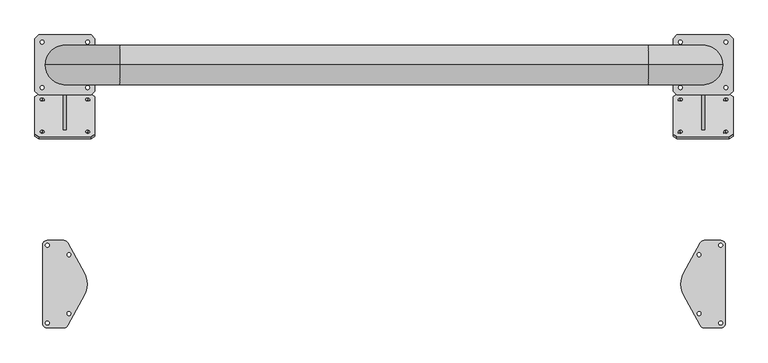
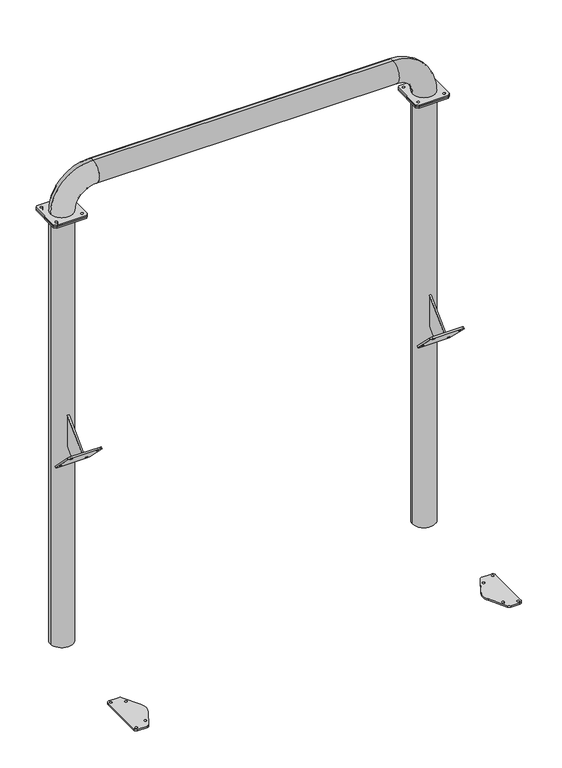
"""IFC4 building model written with IfcOpenShell, lengths in millimetres: proxy geometry."""

from ifc_helpers import new_model, si_unit, point, frame, frame_2d, origin, origin_with_axes, origin_2d, place, context, project, spatial, polyline, circle_curve, ellipse_curve, trimmed, segment, composite_curve, outline, extrude, source, transform, mapped, element, save
from ifc_brep_helpers import plane_surface, cylinder_surface, revolved_surface, advanced_brep


def generic_models_db57e0b7(model_context):
    return source(origin(), model_context, "Body", "SolidModel", [
        advanced_brep(
        [(6.0, -82.5, 1815.0), (6.0, -269.883297, 1627.616703), (6.0, -153.2106781, 1510.9440841), (6.0, -82.5, 1581.6547622), (-6.0, -82.5, 1815.0), (-6.0, -82.5, 1581.6547622), (-6.0, -153.2106781, 1510.9440841), (-6.0, -269.883297, 1627.616703), (-110.0, -308.4206166, 1649.1834598), (-125.0, -297.8140149, 1638.5768581), (-125.0, -142.250523, 1483.0133662), (-110.0, -131.6439213, 1472.4067645), (110.0, -131.6439213, 1472.4067645), (125.0, -142.250523, 1483.0133662), (125.0, -297.8140149, 1638.5768581), (110.0, -308.4206166, 1649.1834598), (-95.0, -281.5505589, 1622.3134021), (-95.0, -292.8642674, 1633.6271106), (-95.0, -147.2002705, 1487.9631137), (-95.0, -158.513979, 1499.2768222), (95.0, -147.2002705, 1487.9631137), (95.0, -158.513979, 1499.2768222), (95.0, -281.5505589, 1622.3134021), (95.0, -292.8642674, 1633.6271106), (-110.0, -299.9353352, 1657.6687412), (110.0, -299.9353352, 1657.6687412), (125.0, -289.3287335, 1647.0621395), (125.0, -133.7652416, 1491.4986476), (110.0, -123.1586399, 1480.8920459), (-110.0, -123.1586399, 1480.8920459), (-125.0, -133.7652416, 1491.4986476), (-125.0, -289.3287335, 1647.0621395), (-95.0, -273.0652775, 1630.7986835), (-95.0, -284.378986, 1642.112392), (-95.0, -138.7149891, 1496.4483951), (-95.0, -150.0286976, 1507.7621036), (95.0, -138.7149891, 1496.4483951), (95.0, -150.0286976, 1507.7621036), (95.0, -273.0652775, 1630.7986835), (95.0, -284.378986, 1642.112392)],
        [
            (0, 1),
            (1, 2),
            (2, 3),
            (3, 0),
            (4, 5),
            (5, 6),
            (6, 7),
            (7, 4),
            (0, 4),
            (7, 1),
            (2, 6),
            (5, 3),
            (8, 9),
            (9, 10),
            (10, 11),
            (11, 12),
            (12, 13),
            (13, 14),
            (14, 15),
            (15, 8),
            (16, 17, circle_curve(frame((-95.0, -287.2074132, 1627.9702564), z_axis=(0.0, 0.7071067811865456, 0.7071067811865495), x_axis=(0.0, -0.7071067811865495, 0.7071067811865456)), 8.0)),
            (17, 16, circle_curve(frame((-95.0, -287.2074132, 1627.9702564), z_axis=(0.0, 0.7071067811865456, 0.7071067811865495), x_axis=(0.0, -0.7071067811865495, 0.7071067811865456)), 8.0)),
            (18, 19, circle_curve(frame((-95.0, -152.8571247, 1493.619968), z_axis=(0.0, 0.7071067811865456, 0.7071067811865495), x_axis=(0.0, -0.7071067811865495, 0.7071067811865456)), 8.0)),
            (19, 18, circle_curve(frame((-95.0, -152.8571247, 1493.619968), z_axis=(0.0, 0.7071067811865456, 0.7071067811865495), x_axis=(0.0, -0.7071067811865495, 0.7071067811865456)), 8.0)),
            (20, 21, circle_curve(frame((95.0, -152.8571247, 1493.619968), z_axis=(0.0, 0.7071067811865456, 0.7071067811865495), x_axis=(0.0, -0.7071067811865495, 0.7071067811865456)), 8.0)),
            (21, 20, circle_curve(frame((95.0, -152.8571247, 1493.619968), z_axis=(0.0, 0.7071067811865456, 0.7071067811865495), x_axis=(0.0, -0.7071067811865495, 0.7071067811865456)), 8.0)),
            (22, 23, circle_curve(frame((95.0, -287.2074132, 1627.9702564), z_axis=(0.0, 0.7071067811865456, 0.7071067811865495), x_axis=(0.0, -0.7071067811865495, 0.7071067811865456)), 8.0)),
            (23, 22, circle_curve(frame((95.0, -287.2074132, 1627.9702564), z_axis=(0.0, 0.7071067811865456, 0.7071067811865495), x_axis=(0.0, -0.7071067811865495, 0.7071067811865456)), 8.0)),
            (24, 25),
            (25, 26),
            (26, 27),
            (27, 28),
            (28, 29),
            (29, 30),
            (30, 31),
            (31, 24),
            (32, 33, circle_curve(frame((-95.0, -278.7221318, 1636.4555378), z_axis=(0.0, -0.7071067811865456, -0.7071067811865495), x_axis=(0.0, -0.7071067811865495, 0.7071067811865456)), 8.0)),
            (33, 32, circle_curve(frame((-95.0, -278.7221318, 1636.4555378), z_axis=(0.0, -0.7071067811865456, -0.7071067811865495), x_axis=(0.0, -0.7071067811865495, 0.7071067811865456)), 8.0)),
            (34, 35, circle_curve(frame((-95.0, -144.3718434, 1502.1052493), z_axis=(0.0, -0.7071067811865456, -0.7071067811865495), x_axis=(0.0, -0.7071067811865495, 0.7071067811865456)), 8.0)),
            (35, 34, circle_curve(frame((-95.0, -144.3718434, 1502.1052493), z_axis=(0.0, -0.7071067811865456, -0.7071067811865495), x_axis=(0.0, -0.7071067811865495, 0.7071067811865456)), 8.0)),
            (36, 37, circle_curve(frame((95.0, -144.3718434, 1502.1052493), z_axis=(0.0, -0.7071067811865456, -0.7071067811865495), x_axis=(0.0, -0.7071067811865495, 0.7071067811865456)), 8.0)),
            (37, 36, circle_curve(frame((95.0, -144.3718434, 1502.1052493), z_axis=(0.0, -0.7071067811865456, -0.7071067811865495), x_axis=(0.0, -0.7071067811865495, 0.7071067811865456)), 8.0)),
            (38, 39, circle_curve(frame((95.0, -278.7221318, 1636.4555378), z_axis=(0.0, -0.7071067811865456, -0.7071067811865495), x_axis=(0.0, -0.7071067811865495, 0.7071067811865456)), 8.0)),
            (39, 38, circle_curve(frame((95.0, -278.7221318, 1636.4555378), z_axis=(0.0, -0.7071067811865456, -0.7071067811865495), x_axis=(0.0, -0.7071067811865495, 0.7071067811865456)), 8.0)),
            (8, 24),
            (31, 9),
            (30, 10),
            (29, 11),
            (28, 12),
            (27, 13),
            (26, 14),
            (25, 15),
            (16, 32),
            (33, 17),
            (18, 34),
            (35, 19),
            (20, 36),
            (37, 21),
            (22, 38),
            (39, 23),
        ],
        [
            plane_surface(frame((6.0, -269.883297, 1627.616703), z_axis=(1.0, 0.0, 0.0), x_axis=(0.0, -0.7071067811865375, -0.7071067811865576))),
            plane_surface(frame((-6.0, -269.883297, 1627.616703), z_axis=(-1.0, 0.0, 0.0), x_axis=(0.0, 0.7071067811865375, 0.7071067811865576))),
            plane_surface(frame((6.0, -82.5, 1815.0), z_axis=(0.0, -0.7071067811865576, 0.7071067811865375), x_axis=(-1.0, 0.0, 0.0))),
            plane_surface(frame((6.0, -153.2106781, 1510.9440841), z_axis=(0.0, 0.7071067811865466, -0.7071067811865485), x_axis=(-1.0, 0.0, 0.0))),
            plane_surface(frame((6.0, -82.5, 1581.6547622), z_axis=(0.0, 1.0, 0.0), x_axis=(-1.0, 0.0, 0.0))),
            plane_surface(frame((-125.0, -297.8140149, 1638.5768581), z_axis=(0.0, -0.7071067811865456, -0.7071067811865495), x_axis=(-0.7071067811865512, 0.4999999999999987, -0.49999999999999595))),
            plane_surface(frame((-125.0, -289.3287335, 1647.0621395), z_axis=(0.0, 0.7071067811865456, 0.7071067811865495), x_axis=(0.7071067811865512, -0.4999999999999987, 0.49999999999999595))),
            plane_surface(frame((-110.0, -308.4206166, 1649.1834598), z_axis=(-0.7071067811865439, -0.5000000000000038, 0.5000000000000017), x_axis=(0.0, 0.7071067811865461, 0.707106781186549))),
            plane_surface(frame((-125.0, -297.8140149, 1638.5768581), z_axis=(-1.0, 0.0, 0.0), x_axis=(0.0, 0.7071067811865461, 0.707106781186549))),
            plane_surface(frame((-125.0, -142.250523, 1483.0133662), z_axis=(-0.7071067811865441, 0.5000000000000033, -0.500000000000002), x_axis=(0.0, 0.7071067811865476, 0.7071067811865476))),
            plane_surface(frame((-110.0, -131.6439213, 1472.4067645), z_axis=(0.0, 0.7071067811865503, -0.7071067811865447), x_axis=(0.0, 0.7071067811865447, 0.7071067811865503))),
            plane_surface(frame((110.0, -131.6439213, 1472.4067645), z_axis=(0.7071067811865449, 0.500000000000003, -0.500000000000001), x_axis=(0.0, 0.7071067811865461, 0.707106781186549))),
            plane_surface(frame((125.0, -142.250523, 1483.0133662), z_axis=(1.0, 0.0, 0.0), x_axis=(0.0, 0.7071067811865447, 0.7071067811865503))),
            plane_surface(frame((125.0, -297.8140149, 1638.5768581), z_axis=(0.7071067811865447, -0.5000000000000032, 0.5000000000000012), x_axis=(0.0, 0.7071067811865461, 0.707106781186549))),
            plane_surface(frame((110.0, -308.4206166, 1649.1834598), z_axis=(0.0, -0.7071067811865476, 0.7071067811865476), x_axis=(0.0, 0.7071067811865476, 0.7071067811865476))),
            revolved_surface(polyline([(-95.0, -284.37898604949237, 1642.1123920494924), (-95.0, -292.8642674494924, 1633.6271106494924)]), (-95.0, -278.7221318, 1636.4555378), (0.0, 0.7071067811865456, 0.7071067811865495)),
            revolved_surface(polyline([(-95.0, -150.02869759949232, 1507.7621035994925), (-95.0, -158.51397899949242, 1499.2768221994922)]), (-95.0, -144.3718434, 1502.1052493), (0.0, 0.7071067811865456, 0.7071067811865495)),
            revolved_surface(polyline([(95.0, -150.02869759949232, 1507.7621035994925), (95.0, -158.51397899949242, 1499.2768221994922)]), (95.0, -144.3718434, 1502.1052493), (0.0, 0.7071067811865456, 0.7071067811865495)),
            revolved_surface(polyline([(95.0, -284.37898604949237, 1642.1123920494924), (95.0, -292.8642674494924, 1633.6271106494924)]), (95.0, -278.7221318, 1636.4555378), (0.0, 0.7071067811865456, 0.7071067811865495)),
        ],
        [
            (0, [[1, 2, 3, 4]]),
            (1, [[5, 6, 7, 8]]),
            (2, [[-1, 9, -8, 10]]),
            (3, [[-3, 11, -6, 12]]),
            (4, [[-4, -12, -5, -9]]),
            (5, [[13, 14, 15, 16, 17, 18, 19, 20], [21, 22], [23, 24], [25, 26], [27, 28]]),
            (6, [[29, 30, 31, 32, 33, 34, 35, 36], [-2, -10, -7, -11], [37, 38], [39, 40], [41, 42], [43, 44]]),
            (7, [[-13, 45, -36, 46]]),
            (8, [[-14, -46, -35, 47]]),
            (9, [[-15, -47, -34, 48]]),
            (10, [[-16, -48, -33, 49]]),
            (11, [[-17, -49, -32, 50]]),
            (12, [[-18, -50, -31, 51]]),
            (13, [[-19, -51, -30, 52]]),
            (14, [[-20, -52, -29, -45]]),
            (15, [[-21, 53, -38, 54]]),
            (15, [[-22, -54, -37, -53]]),
            (16, [[-23, 55, -40, 56]]),
            (16, [[-24, -56, -39, -55]]),
            (17, [[-25, 57, -42, 58]]),
            (17, [[-26, -58, -41, -57]]),
            (18, [[-27, 59, -44, 60]]),
            (18, [[-28, -60, -43, -59]]),
        ],
    ),
        advanced_brep(
        [(2671.0, -82.5, 1815.0), (2671.0, -269.883297, 1627.616703), (2671.0, -153.2106781, 1510.9440841), (2671.0, -82.5, 1581.6547622), (2659.0, -82.5, 1815.0), (2659.0, -82.5, 1581.6547622), (2659.0, -153.2106781, 1510.9440841), (2659.0, -269.883297, 1627.616703), (2790.0, -297.8140149, 1638.5768581), (2775.0, -308.4206166, 1649.1834598), (2555.0, -308.4206166, 1649.1834598), (2540.0, -297.8140149, 1638.5768581), (2540.0, -142.250523, 1483.0133662), (2555.0, -131.6439213, 1472.4067645), (2775.0, -131.6439213, 1472.4067645), (2790.0, -142.250523, 1483.0133662), (2570.0, -292.8642674, 1633.6271106), (2570.0, -281.5505589, 1622.3134021), (2570.0, -158.513979, 1499.2768222), (2570.0, -147.2002705, 1487.9631137), (2760.0, -158.513979, 1499.2768222), (2760.0, -147.2002705, 1487.9631137), (2760.0, -292.8642674, 1633.6271106), (2760.0, -281.5505589, 1622.3134021), (2790.0, -289.3287335, 1647.0621395), (2790.0, -133.7652416, 1491.4986476), (2775.0, -123.1586399, 1480.8920459), (2555.0, -123.1586399, 1480.8920459), (2540.0, -133.7652416, 1491.4986476), (2540.0, -289.3287335, 1647.0621395), (2555.0, -299.9353352, 1657.6687412), (2775.0, -299.9353352, 1657.6687412), (2570.0, -284.378986, 1642.112392), (2570.0, -273.0652775, 1630.7986835), (2570.0, -150.0286976, 1507.7621036), (2570.0, -138.7149891, 1496.4483951), (2760.0, -150.0286976, 1507.7621036), (2760.0, -138.7149891, 1496.4483951), (2760.0, -284.378986, 1642.112392), (2760.0, -273.0652775, 1630.7986835)],
        [
            (0, 1),
            (1, 2),
            (2, 3),
            (3, 0),
            (4, 5),
            (5, 6),
            (6, 7),
            (7, 4),
            (0, 4),
            (7, 1),
            (2, 6),
            (5, 3),
            (8, 9),
            (9, 10),
            (10, 11),
            (11, 12),
            (12, 13),
            (13, 14),
            (14, 15),
            (15, 8),
            (16, 17, circle_curve(frame((2570.0, -287.2074132, 1627.9702564), z_axis=(0.0, 0.7071067811865867, 0.7071067811865085), x_axis=(0.0, 0.7071067811865085, -0.7071067811865867)), 8.0)),
            (17, 16, circle_curve(frame((2570.0, -287.2074132, 1627.9702564), z_axis=(0.0, 0.7071067811865867, 0.7071067811865085), x_axis=(0.0, 0.7071067811865085, -0.7071067811865867)), 8.0)),
            (18, 19, circle_curve(frame((2570.0, -152.8571247, 1493.619968), z_axis=(0.0, 0.7071067811865867, 0.7071067811865085), x_axis=(0.0, 0.7071067811865085, -0.7071067811865867)), 8.0)),
            (19, 18, circle_curve(frame((2570.0, -152.8571247, 1493.619968), z_axis=(0.0, 0.7071067811865867, 0.7071067811865085), x_axis=(0.0, 0.7071067811865085, -0.7071067811865867)), 8.0)),
            (20, 21, circle_curve(frame((2760.0, -152.8571247, 1493.619968), z_axis=(0.0, 0.7071067811865867, 0.7071067811865085), x_axis=(0.0, 0.7071067811865085, -0.7071067811865867)), 8.0)),
            (21, 20, circle_curve(frame((2760.0, -152.8571247, 1493.619968), z_axis=(0.0, 0.7071067811865867, 0.7071067811865085), x_axis=(0.0, 0.7071067811865085, -0.7071067811865867)), 8.0)),
            (22, 23, circle_curve(frame((2760.0, -287.2074132, 1627.9702564), z_axis=(0.0, 0.7071067811865867, 0.7071067811865085), x_axis=(0.0, 0.7071067811865085, -0.7071067811865867)), 8.0)),
            (23, 22, circle_curve(frame((2760.0, -287.2074132, 1627.9702564), z_axis=(0.0, 0.7071067811865867, 0.7071067811865085), x_axis=(0.0, 0.7071067811865085, -0.7071067811865867)), 8.0)),
            (24, 25),
            (25, 26),
            (26, 27),
            (27, 28),
            (28, 29),
            (29, 30),
            (30, 31),
            (31, 24),
            (32, 33, circle_curve(frame((2570.0, -278.7221318, 1636.4555378), z_axis=(0.0, -0.7071067811865867, -0.7071067811865085), x_axis=(0.0, 0.7071067811865085, -0.7071067811865867)), 8.0)),
            (33, 32, circle_curve(frame((2570.0, -278.7221318, 1636.4555378), z_axis=(0.0, -0.7071067811865867, -0.7071067811865085), x_axis=(0.0, 0.7071067811865085, -0.7071067811865867)), 8.0)),
            (34, 35, circle_curve(frame((2570.0, -144.3718434, 1502.1052493), z_axis=(0.0, -0.7071067811865867, -0.7071067811865085), x_axis=(0.0, 0.7071067811865085, -0.7071067811865867)), 8.0)),
            (35, 34, circle_curve(frame((2570.0, -144.3718434, 1502.1052493), z_axis=(0.0, -0.7071067811865867, -0.7071067811865085), x_axis=(0.0, 0.7071067811865085, -0.7071067811865867)), 8.0)),
            (36, 37, circle_curve(frame((2760.0, -144.3718434, 1502.1052493), z_axis=(0.0, -0.7071067811865867, -0.7071067811865085), x_axis=(0.0, 0.7071067811865085, -0.7071067811865867)), 8.0)),
            (37, 36, circle_curve(frame((2760.0, -144.3718434, 1502.1052493), z_axis=(0.0, -0.7071067811865867, -0.7071067811865085), x_axis=(0.0, 0.7071067811865085, -0.7071067811865867)), 8.0)),
            (38, 39, circle_curve(frame((2760.0, -278.7221318, 1636.4555378), z_axis=(0.0, -0.7071067811865867, -0.7071067811865085), x_axis=(0.0, 0.7071067811865085, -0.7071067811865867)), 8.0)),
            (39, 38, circle_curve(frame((2760.0, -278.7221318, 1636.4555378), z_axis=(0.0, -0.7071067811865867, -0.7071067811865085), x_axis=(0.0, 0.7071067811865085, -0.7071067811865867)), 8.0)),
            (8, 24),
            (31, 9),
            (30, 10),
            (29, 11),
            (28, 12),
            (27, 13),
            (26, 14),
            (25, 15),
            (16, 32),
            (33, 17),
            (18, 34),
            (35, 19),
            (20, 36),
            (37, 21),
            (22, 38),
            (39, 23),
        ],
        [
            plane_surface(frame((2671.0, -82.5, 1815.0), z_axis=(1.0000000000000002, 0.0, 0.0), x_axis=(0.0, -0.7071067811865771, -0.707106781186518))),
            plane_surface(frame((2659.0, -82.5, 1815.0), z_axis=(-1.0000000000000002, 0.0, 0.0), x_axis=(0.0, 0.7071067811865771, 0.707106781186518))),
            plane_surface(frame((2671.0, -82.5, 1815.0), z_axis=(0.0, -0.707106781186518, 0.7071067811865771), x_axis=(-1.0, 0.0, 0.0))),
            plane_surface(frame((2671.0, -153.2106781, 1510.9440841), z_axis=(0.0, 0.7071067811865321, -0.7071067811865629), x_axis=(-1.0, 0.0, 0.0))),
            plane_surface(frame((2671.0, -82.5, 1581.6547622), z_axis=(0.0, 1.0, 0.0), x_axis=(-1.0, 0.0, 0.0))),
            plane_surface(frame((2775.0, -308.4206166, 1649.1834598), z_axis=(0.0, -0.7071067811865868, -0.7071067811865087), x_axis=(-0.7071067811864252, -0.5000000000000581, 0.5000000000001152))),
            plane_surface(frame((2775.0, -299.9353352, 1657.6687412), z_axis=(0.0, 0.7071067811865868, 0.7071067811865087), x_axis=(0.7071067811864252, 0.5000000000000581, -0.5000000000001152))),
            plane_surface(frame((2790.0, -297.8140149, 1638.5768581), z_axis=(0.70710678118667, -0.4999999999998846, 0.4999999999999424), x_axis=(0.0, 0.7071067811865884, 0.7071067811865067))),
            plane_surface(frame((2775.0, -308.4206166, 1649.1834598), z_axis=(0.0, -0.7071067811865067, 0.7071067811865884), x_axis=(0.0, 0.7071067811865884, 0.7071067811865067))),
            plane_surface(frame((2555.0, -308.4206166, 1649.1834598), z_axis=(-0.7071067811865474, -0.4999999999999704, 0.5000000000000302), x_axis=(0.0, 0.7071067811865899, 0.7071067811865053))),
            plane_surface(frame((2540.0, -297.8140149, 1638.5768581), z_axis=(-1.0, 0.0, 0.0), x_axis=(0.0, 0.7071067811865884, 0.7071067811865067))),
            plane_surface(frame((2540.0, -142.250523, 1483.0133662), z_axis=(-0.7071067811865088, 0.4999999999999995, -0.5000000000000553), x_axis=(0.0, 0.707106781186587, 0.707106781186508))),
            plane_surface(frame((2555.0, -131.6439213, 1472.4067645), z_axis=(0.0, 0.7071067811865067, -0.7071067811865884), x_axis=(0.0, 0.7071067811865884, 0.7071067811865067))),
            plane_surface(frame((2775.0, -131.6439213, 1472.4067645), z_axis=(0.7071067811866893, 0.499999999999871, -0.4999999999999288), x_axis=(0.0, 0.7071067811865884, 0.7071067811865067))),
            plane_surface(frame((2790.0, -142.250523, 1483.0133662), z_axis=(1.0, 0.0, 0.0), x_axis=(0.0, 0.7071067811865884, 0.7071067811865067))),
            revolved_surface(polyline([(2570.0, -273.06527755050763, 1630.7986835505076), (2570.0, -281.55055895050873, 1622.3134021505075)]), (2570.0, -278.7221318, 1636.4555378), (0.0, 0.7071067811865867, 0.7071067811865085)),
            revolved_surface(polyline([(2570.0, -138.7149891005076, 1496.4483951005077), (2570.0, -147.20027050050874, 1487.9631137005074)]), (2570.0, -144.3718434, 1502.1052493), (0.0, 0.7071067811865867, 0.7071067811865085)),
            revolved_surface(polyline([(2760.0, -138.7149891005076, 1496.4483951005077), (2760.0, -147.20027050050874, 1487.9631137005074)]), (2760.0, -144.3718434, 1502.1052493), (0.0, 0.7071067811865867, 0.7071067811865085)),
            revolved_surface(polyline([(2760.0, -273.06527755050763, 1630.7986835505076), (2760.0, -281.55055895050873, 1622.3134021505075)]), (2760.0, -278.7221318, 1636.4555378), (0.0, 0.7071067811865867, 0.7071067811865085)),
        ],
        [
            (0, [[1, 2, 3, 4]]),
            (1, [[5, 6, 7, 8]]),
            (2, [[-1, 9, -8, 10]]),
            (3, [[-3, 11, -6, 12]]),
            (4, [[-4, -12, -5, -9]]),
            (5, [[13, 14, 15, 16, 17, 18, 19, 20], [21, 22], [23, 24], [25, 26], [27, 28]]),
            (6, [[29, 30, 31, 32, 33, 34, 35, 36], [-2, -10, -7, -11], [37, 38], [39, 40], [41, 42], [43, 44]]),
            (7, [[-13, 45, -36, 46]]),
            (8, [[-14, -46, -35, 47]]),
            (9, [[-15, -47, -34, 48]]),
            (10, [[-16, -48, -33, 49]]),
            (11, [[-17, -49, -32, 50]]),
            (12, [[-18, -50, -31, 51]]),
            (13, [[-19, -51, -30, 52]]),
            (14, [[-20, -52, -29, -45]]),
            (15, [[-21, 53, -38, 54]]),
            (15, [[-22, -54, -37, -53]]),
            (16, [[-23, 55, -40, 56]]),
            (16, [[-24, -56, -39, -55]]),
            (17, [[-25, 57, -42, 58]]),
            (17, [[-26, -58, -41, -57]]),
            (18, [[-27, 59, -44, 60]]),
            (18, [[-28, -60, -43, -59]]),
        ],
    ),
        extrude(outline(composite_curve([segment(trimmed(circle_curve(frame_2d((-73.0, -1077.5)), 20.0), [point((-73.0, -1097.5))], [point((-93.0, -1077.5))], False, "CARTESIAN"), True, "CONTINUOUS"), segment(polyline([(-93.0, -1077.5), (-93.0, -752.5)]), True, "CONTINUOUS"), segment(trimmed(circle_curve(frame_2d((-73.0, -752.5)), 20.0), [point((-93.0, -752.5))], [point((-73.0, -732.5))], False, "CARTESIAN"), True, "CONTINUOUS"), segment(polyline([(-73.0, -732.5), (-4.9864553, -732.5)]), True, "CONTINUOUS"), segment(trimmed(circle_curve(frame_2d((-4.9864553, -752.5)), 20.0), [point((-4.9864553, -732.5))], [point((12.6046976, -742.9841532))], False, "CARTESIAN"), True, "CONTINUOUS"), segment(polyline([(12.6046976, -742.9841532), (80.3527559, -868.224343)]), True, "CONTINUOUS"), segment(trimmed(circle_curve(frame_2d((0.0, -915.0477839)), 93.0), [point((80.3527559, -868.224343))], [point((80.3527559, -961.8712248))], False, "CARTESIAN"), True, "CONTINUOUS"), segment(polyline([(80.3527559, -961.8712248), (12.6563945, -1087.0158468)]), True, "CONTINUOUS"), segment(trimmed(circle_curve(frame_2d((-4.9347584, -1077.5)), 20.0), [point((12.6563945, -1087.0158468))], [point((-4.9347584, -1097.5))], False, "CARTESIAN"), True, "CONTINUOUS"), segment(polyline([(-4.9347584, -1097.5), (-73.0, -1097.5)]), True, "CONTINUOUS")], self_intersect=False), holes=[composite_curve([segment(trimmed(circle_curve(frame_2d((17.0, -792.0)), 8.0), [point((9.0, -792.0))], [point((25.0, -792.0))], True, "CARTESIAN"), True, "CONTINUOUS"), segment(trimmed(circle_curve(frame_2d((17.0, -792.0)), 8.0), [point((25.0, -792.0))], [point((9.0, -792.0))], True, "CARTESIAN"), True, "CONTINUOUS")], self_intersect=False), composite_curve([segment(trimmed(circle_curve(frame_2d((-73.0, -1077.5)), 8.0), [point((-81.0, -1077.5))], [point((-65.0, -1077.5))], True, "CARTESIAN"), True, "CONTINUOUS"), segment(trimmed(circle_curve(frame_2d((-73.0, -1077.5)), 8.0), [point((-65.0, -1077.5))], [point((-81.0, -1077.5))], True, "CARTESIAN"), True, "CONTINUOUS")], self_intersect=False), composite_curve([segment(trimmed(circle_curve(frame_2d((-73.0, -752.5)), 8.0), [point((-81.0, -752.5))], [point((-65.0, -752.5))], True, "CARTESIAN"), True, "CONTINUOUS"), segment(trimmed(circle_curve(frame_2d((-73.0, -752.5)), 8.0), [point((-65.0, -752.5))], [point((-81.0, -752.5))], True, "CARTESIAN"), True, "CONTINUOUS")], self_intersect=False), composite_curve([segment(trimmed(circle_curve(frame_2d((17.0, -1038.0)), 8.0), [point((9.0, -1038.0))], [point((25.0, -1038.0))], True, "CARTESIAN"), True, "CONTINUOUS"), segment(trimmed(circle_curve(frame_2d((17.0, -1038.0)), 8.0), [point((25.0, -1038.0))], [point((9.0, -1038.0))], True, "CARTESIAN"), True, "CONTINUOUS")], self_intersect=False)]), origin_with_axes(), (0.0, 0.0, 1.0), 12.0),
        extrude(outline(composite_curve([segment(polyline([(2738.0, -1097.5), (2669.9347584, -1097.5)]), True, "CONTINUOUS"), segment(trimmed(circle_curve(frame_2d((2669.9347584, -1077.5)), 20.0), [point((2669.9347584, -1097.5))], [point((2652.3436055, -1087.0158468))], False, "CARTESIAN"), True, "CONTINUOUS"), segment(polyline([(2652.3436055, -1087.0158468), (2584.6472441, -961.8712248)]), True, "CONTINUOUS"), segment(trimmed(circle_curve(frame_2d((2665.0, -915.0477839)), 93.0), [point((2584.6472441, -961.8712248))], [point((2584.6472441, -868.224343))], False, "CARTESIAN"), True, "CONTINUOUS"), segment(polyline([(2584.6472441, -868.224343), (2652.3953024, -742.9841532)]), True, "CONTINUOUS"), segment(trimmed(circle_curve(frame_2d((2669.9864553, -752.5)), 20.0), [point((2652.3953024, -742.9841532))], [point((2669.9864553, -732.5))], False, "CARTESIAN"), True, "CONTINUOUS"), segment(polyline([(2669.9864553, -732.5), (2738.0, -732.5)]), True, "CONTINUOUS"), segment(trimmed(circle_curve(frame_2d((2738.0, -752.5)), 20.0), [point((2738.0, -732.5))], [point((2758.0, -752.5))], False, "CARTESIAN"), True, "CONTINUOUS"), segment(polyline([(2758.0, -752.5), (2758.0, -1077.5)]), True, "CONTINUOUS"), segment(trimmed(circle_curve(frame_2d((2738.0, -1077.5)), 20.0), [point((2758.0, -1077.5))], [point((2738.0, -1097.5))], False, "CARTESIAN"), True, "CONTINUOUS")], self_intersect=False), holes=[composite_curve([segment(trimmed(circle_curve(frame_2d((2648.0, -792.0)), 8.0), [point((2640.0, -792.0))], [point((2656.0, -792.0))], True, "CARTESIAN"), True, "CONTINUOUS"), segment(trimmed(circle_curve(frame_2d((2648.0, -792.0)), 8.0), [point((2656.0, -792.0))], [point((2640.0, -792.0))], True, "CARTESIAN"), True, "CONTINUOUS")], self_intersect=False), composite_curve([segment(trimmed(circle_curve(frame_2d((2738.0, -1077.5)), 8.0), [point((2730.0, -1077.5))], [point((2746.0, -1077.5))], True, "CARTESIAN"), True, "CONTINUOUS"), segment(trimmed(circle_curve(frame_2d((2738.0, -1077.5)), 8.0), [point((2746.0, -1077.5))], [point((2730.0, -1077.5))], True, "CARTESIAN"), True, "CONTINUOUS")], self_intersect=False), composite_curve([segment(trimmed(circle_curve(frame_2d((2738.0, -752.5)), 8.0), [point((2730.0, -752.5))], [point((2746.0, -752.5))], True, "CARTESIAN"), True, "CONTINUOUS"), segment(trimmed(circle_curve(frame_2d((2738.0, -752.5)), 8.0), [point((2746.0, -752.5))], [point((2730.0, -752.5))], True, "CARTESIAN"), True, "CONTINUOUS")], self_intersect=False), composite_curve([segment(trimmed(circle_curve(frame_2d((2648.0, -1038.0)), 8.0), [point((2640.0, -1038.0))], [point((2656.0, -1038.0))], True, "CARTESIAN"), True, "CONTINUOUS"), segment(trimmed(circle_curve(frame_2d((2648.0, -1038.0)), 8.0), [point((2656.0, -1038.0))], [point((2640.0, -1038.0))], True, "CARTESIAN"), True, "CONTINUOUS")], self_intersect=False)]), origin_with_axes(), (0.0, 0.0, 1.0), 12.0),
        advanced_brep(
        [(82.5, 0.0, 3353.5), (-82.5, 0.0, 3353.5), (78.5, 0.0, 3353.5), (-78.5, 0.0, 3353.5), (229.0, 0.0, 3665.0), (229.0, 0.0, 3500.0), (229.0, 0.0, 3661.0), (229.0, 0.0, 3504.0), (2436.0, 0.0, 3500.0), (2436.0, 0.0, 3665.0), (2436.0, 0.0, 3504.0), (2436.0, 0.0, 3661.0), (2582.5, 0.0, 3353.5), (2747.5, 0.0, 3353.5), (2586.5, 0.0, 3353.5), (2743.5, 0.0, 3353.5)],
        [
            (0, 1, circle_curve(frame((0.0, 0.0, 3353.5), z_axis=(0.0, 0.0, -1.0), x_axis=(-1.0, 0.0, 0.0)), 82.5)),
            (1, 0, circle_curve(frame((0.0, 0.0, 3353.5), z_axis=(0.0, 0.0, -1.0), x_axis=(-1.0, 0.0, 0.0)), 82.5)),
            (2, 3, circle_curve(frame((0.0, 0.0, 3353.5), z_axis=(0.0, 0.0, 1.0), x_axis=(-1.0, 0.0, 0.0)), 78.5)),
            (3, 2, circle_curve(frame((0.0, 0.0, 3353.5), z_axis=(0.0, 0.0, 1.0), x_axis=(-1.0, 0.0, 0.0)), 78.5)),
            (4, 1, circle_curve(frame((229.0, 0.0, 3353.5), z_axis=(0.0, -1.0, 0.0), x_axis=(-1.0, 0.0, 0.0)), 311.5)),
            (0, 5, circle_curve(frame((229.0, 0.0, 3353.5), z_axis=(0.0, 1.0, 0.0), x_axis=(-1.0, 0.0, 0.0)), 146.5)),
            (5, 4, circle_curve(frame((229.0, 0.0, 3582.5), z_axis=(-1.0, 0.0, 0.0), x_axis=(0.0, 0.0, 1.0)), 82.5)),
            (4, 5, circle_curve(frame((229.0, 0.0, 3582.5), z_axis=(-1.0, 0.0, 0.0), x_axis=(0.0, 0.0, 1.0)), 82.5)),
            (6, 3, circle_curve(frame((229.0, 0.0, 3353.5), z_axis=(0.0, -1.0, 0.0), x_axis=(-1.0, 0.0, 0.0)), 307.5)),
            (2, 7, circle_curve(frame((229.0, 0.0, 3353.5), z_axis=(0.0, 1.0, 0.0), x_axis=(-1.0, 0.0, 0.0)), 150.5)),
            (7, 6, circle_curve(frame((229.0, 0.0, 3582.5), z_axis=(1.0, 0.0, 0.0), x_axis=(0.0, 0.0, 1.0)), 78.5)),
            (6, 7, circle_curve(frame((229.0, 0.0, 3582.5), z_axis=(1.0, 0.0, 0.0), x_axis=(0.0, 0.0, 1.0)), 78.5)),
            (5, 8),
            (8, 9, circle_curve(frame((2436.0, 0.0, 3582.5), z_axis=(-1.0, 0.0, 0.0), x_axis=(0.0, 0.0, 1.0)), 82.5)),
            (9, 4),
            (9, 8, circle_curve(frame((2436.0, 0.0, 3582.5), z_axis=(-1.0, 0.0, 0.0), x_axis=(0.0, 0.0, 1.0)), 82.5)),
            (7, 10),
            (10, 11, circle_curve(frame((2436.0, 0.0, 3582.5), z_axis=(1.0, 0.0, 0.0), x_axis=(0.0, 0.0, 1.0)), 78.5)),
            (11, 6),
            (11, 10, circle_curve(frame((2436.0, 0.0, 3582.5), z_axis=(1.0, 0.0, 0.0), x_axis=(0.0, 0.0, 1.0)), 78.5)),
            (12, 13, circle_curve(frame((2665.0, 0.0, 3353.5), z_axis=(0.0, 0.0, -1.0), x_axis=(1.0, 0.0, 0.0)), 82.5)),
            (13, 12, circle_curve(frame((2665.0, 0.0, 3353.5), z_axis=(0.0, 0.0, -1.0), x_axis=(1.0, 0.0, 0.0)), 82.5)),
            (14, 15, circle_curve(frame((2665.0, 0.0, 3353.5), z_axis=(0.0, 0.0, 1.0), x_axis=(1.0, 0.0, 0.0)), 78.5)),
            (15, 14, circle_curve(frame((2665.0, 0.0, 3353.5), z_axis=(0.0, 0.0, 1.0), x_axis=(1.0, 0.0, 0.0)), 78.5)),
            (13, 9, circle_curve(frame((2436.0, 0.0, 3353.5), z_axis=(0.0, -1.0, 0.0), x_axis=(0.0, 0.0, 1.0)), 311.5)),
            (8, 12, circle_curve(frame((2436.0, 0.0, 3353.5), z_axis=(0.0, 1.0, 0.0), x_axis=(0.0, 0.0, 1.0)), 146.5)),
            (15, 11, circle_curve(frame((2436.0, 0.0, 3353.5), z_axis=(0.0, -1.0, 0.0), x_axis=(0.0, 0.0, 1.0)), 307.5)),
            (10, 14, circle_curve(frame((2436.0, 0.0, 3353.5), z_axis=(0.0, 1.0, 0.0), x_axis=(0.0, 0.0, 1.0)), 150.5)),
        ],
        [
            plane_surface(frame((0.0, 0.0, 3353.5), z_axis=(0.0, 0.0, -1.0), x_axis=(0.0, -1.0, 0.0))),
            revolved_surface(trimmed(ellipse_curve(frame((0.0, 0.0, 3353.5), z_axis=(0.0, 0.0, -1.0), x_axis=(-1.0, 0.0, 0.0)), 82.5, 82.5), [point((82.5, 0.0, 3353.5))], [point((-82.5, 0.0, 3353.5))], True, "CARTESIAN"), (229.0, 0.0, 3353.5), (0.0, 1.0, 0.0)),
            revolved_surface(trimmed(ellipse_curve(frame((0.0, 0.0, 3353.5), z_axis=(0.0, 0.0, -1.0), x_axis=(-1.0, 0.0, 0.0)), 82.5, 82.5), [point((-82.5, 0.0, 3353.5))], [point((82.5, 0.0, 3353.5))], True, "CARTESIAN"), (229.0, 0.0, 3353.5), (0.0, 1.0, 0.0)),
            revolved_surface(trimmed(ellipse_curve(frame((0.0, 0.0, 3353.5), z_axis=(0.0, 0.0, 1.0), x_axis=(-1.0, 0.0, 0.0)), 78.5, 78.5), [point((78.5, 0.0, 3353.5))], [point((-78.5, 0.0, 3353.5))], True, "CARTESIAN"), (229.0, 0.0, 3353.5), (0.0, 1.0, 0.0)),
            revolved_surface(trimmed(ellipse_curve(frame((0.0, 0.0, 3353.5), z_axis=(0.0, 0.0, 1.0), x_axis=(-1.0, 0.0, 0.0)), 78.5, 78.5), [point((-78.5, 0.0, 3353.5))], [point((78.5, 0.0, 3353.5))], True, "CARTESIAN"), (229.0, 0.0, 3353.5), (0.0, 1.0, 0.0)),
            cylinder_surface(frame((229.0, 0.0, 3582.5), z_axis=(-1.0, 0.0, 0.0), x_axis=(0.0, 0.0, 1.0)), 82.5),
            revolved_surface(polyline([(2436.0, 0.0, 3661.0), (229.0, 0.0, 3661.0)]), (229.0, 0.0, 3582.5), (1.0, 0.0, 0.0)),
            plane_surface(frame((2665.0, 0.0, 3353.5), z_axis=(0.0, 0.0, -1.0), x_axis=(0.0, -1.0, 0.0))),
            revolved_surface(trimmed(ellipse_curve(frame((2436.0, 0.0, 3582.5), z_axis=(-1.0, 0.0, 0.0), x_axis=(0.0, 0.0, 1.0)), 82.5, 82.5), [point((2436.0, 0.0, 3500.0))], [point((2436.0, 0.0, 3665.0))], True, "CARTESIAN"), (2436.0, 0.0, 3353.5), (0.0, 1.0, 0.0)),
            revolved_surface(trimmed(ellipse_curve(frame((2436.0, 0.0, 3582.5), z_axis=(-1.0, 0.0, 0.0), x_axis=(0.0, 0.0, 1.0)), 82.5, 82.5), [point((2436.0, 0.0, 3665.0))], [point((2436.0, 0.0, 3500.0))], True, "CARTESIAN"), (2436.0, 0.0, 3353.5), (0.0, 1.0, 0.0)),
            revolved_surface(trimmed(ellipse_curve(frame((2436.0, 0.0, 3582.5), z_axis=(1.0, 0.0, 0.0), x_axis=(0.0, 0.0, 1.0)), 78.5, 78.5), [point((2436.0, 0.0, 3504.0))], [point((2436.0, 0.0, 3661.0))], True, "CARTESIAN"), (2436.0, 0.0, 3353.5), (0.0, 1.0, 0.0)),
            revolved_surface(trimmed(ellipse_curve(frame((2436.0, 0.0, 3582.5), z_axis=(1.0, 0.0, 0.0), x_axis=(0.0, 0.0, 1.0)), 78.5, 78.5), [point((2436.0, 0.0, 3661.0))], [point((2436.0, 0.0, 3504.0))], True, "CARTESIAN"), (2436.0, 0.0, 3353.5), (0.0, 1.0, 0.0)),
        ],
        [
            (0, [[1, 2], [3, 4]]),
            (1, [[5, -1, 6, 7]]),
            (2, [[-6, -2, -5, 8]]),
            (3, [[9, -3, 10, 11]]),
            (4, [[-10, -4, -9, 12]]),
            (5, [[-7, 13, 14, 15]]),
            (5, [[-8, -15, 16, -13]]),
            (6, [[-11, 17, 18, 19]]),
            (6, [[-12, -19, 20, -17]]),
            (7, [[21, 22], [23, 24]]),
            (8, [[25, -14, 26, -22]]),
            (9, [[-26, -16, -25, -21]]),
            (10, [[27, -18, 28, -24]]),
            (11, [[-28, -20, -27, -23]]),
        ],
    ),
        extrude(outline(polyline([(110.0, 125.0), (125.0, 110.0), (125.0, -110.0), (110.0, -125.0), (-110.0, -125.0), (-125.0, -110.0), (-125.0, 110.0), (-110.0, 125.0), (110.0, 125.0)]), holes=[composite_curve([segment(trimmed(circle_curve(frame_2d((-95.0, 95.0)), 8.0), [point((-103.0, 95.0))], [point((-87.0, 95.0))], True, "CARTESIAN"), True, "CONTINUOUS"), segment(trimmed(circle_curve(frame_2d((-95.0, 95.0)), 8.0), [point((-87.0, 95.0))], [point((-103.0, 95.0))], True, "CARTESIAN"), True, "CONTINUOUS")], self_intersect=False), composite_curve([segment(trimmed(circle_curve(frame_2d((95.0, 95.0)), 8.0), [point((87.0, 95.0))], [point((103.0, 95.0))], True, "CARTESIAN"), True, "CONTINUOUS"), segment(trimmed(circle_curve(frame_2d((95.0, 95.0)), 8.0), [point((103.0, 95.0))], [point((87.0, 95.0))], True, "CARTESIAN"), True, "CONTINUOUS")], self_intersect=False), composite_curve([segment(trimmed(circle_curve(frame_2d((95.0, -95.0)), 8.0), [point((87.0, -95.0))], [point((103.0, -95.0))], True, "CARTESIAN"), True, "CONTINUOUS"), segment(trimmed(circle_curve(frame_2d((95.0, -95.0)), 8.0), [point((103.0, -95.0))], [point((87.0, -95.0))], True, "CARTESIAN"), True, "CONTINUOUS")], self_intersect=False), composite_curve([segment(trimmed(circle_curve(frame_2d((-95.0, -95.0)), 8.0), [point((-103.0, -95.0))], [point((-87.0, -95.0))], True, "CARTESIAN"), True, "CONTINUOUS"), segment(trimmed(circle_curve(frame_2d((-95.0, -95.0)), 8.0), [point((-87.0, -95.0))], [point((-103.0, -95.0))], True, "CARTESIAN"), True, "CONTINUOUS")], self_intersect=False)]), frame((0.0, 0.0, 3342.0), z_axis=(0.0, 0.0, 1.0), x_axis=(1.0, 0.0, 0.0)), (0.0, 0.0, 1.0), 12.0),
        extrude(outline(polyline([(2540.0, -110.0), (2540.0, 110.0), (2555.0, 125.0), (2775.0, 125.0), (2790.0, 110.0), (2790.0, -110.0), (2775.0, -125.0), (2555.0, -125.0), (2540.0, -110.0)]), holes=[composite_curve([segment(trimmed(circle_curve(frame_2d((2570.0, 95.0)), 8.0), [point((2578.0, 95.0))], [point((2562.0, 95.0))], True, "CARTESIAN"), True, "CONTINUOUS"), segment(trimmed(circle_curve(frame_2d((2570.0, 95.0)), 8.0), [point((2562.0, 95.0))], [point((2578.0, 95.0))], True, "CARTESIAN"), True, "CONTINUOUS")], self_intersect=False), composite_curve([segment(trimmed(circle_curve(frame_2d((2760.0, 95.0)), 8.0), [point((2752.0, 95.0))], [point((2768.0, 95.0))], True, "CARTESIAN"), True, "CONTINUOUS"), segment(trimmed(circle_curve(frame_2d((2760.0, 95.0)), 8.0), [point((2768.0, 95.0))], [point((2752.0, 95.0))], True, "CARTESIAN"), True, "CONTINUOUS")], self_intersect=False), composite_curve([segment(trimmed(circle_curve(frame_2d((2570.0, -95.0)), 8.0), [point((2562.0, -95.0))], [point((2578.0, -95.0))], True, "CARTESIAN"), True, "CONTINUOUS"), segment(trimmed(circle_curve(frame_2d((2570.0, -95.0)), 8.0), [point((2578.0, -95.0))], [point((2562.0, -95.0))], True, "CARTESIAN"), True, "CONTINUOUS")], self_intersect=False), composite_curve([segment(trimmed(circle_curve(frame_2d((2760.0, -95.0)), 8.0), [point((2752.0, -95.0))], [point((2768.0, -95.0))], True, "CARTESIAN"), True, "CONTINUOUS"), segment(trimmed(circle_curve(frame_2d((2760.0, -95.0)), 8.0), [point((2768.0, -95.0))], [point((2752.0, -95.0))], True, "CARTESIAN"), True, "CONTINUOUS")], self_intersect=False)]), frame((0.0, 0.0, 3342.0), z_axis=(0.0, 0.0, 1.0), x_axis=(1.0, 0.0, 0.0)), (0.0, 0.0, 1.0), 12.0),
        extrude(outline(polyline([(125.0, -110.0), (110.0, -125.0), (-110.0, -125.0), (-125.0, -110.0), (-125.0, 110.0), (-110.0, 125.0), (110.0, 125.0), (125.0, 110.0), (125.0, -110.0)]), holes=[composite_curve([segment(trimmed(circle_curve(frame_2d((-95.0, 95.0)), 8.0), [point((-103.0, 95.0))], [point((-87.0, 95.0))], True, "CARTESIAN"), True, "CONTINUOUS"), segment(trimmed(circle_curve(frame_2d((-95.0, 95.0)), 8.0), [point((-87.0, 95.0))], [point((-103.0, 95.0))], True, "CARTESIAN"), True, "CONTINUOUS")], self_intersect=False), composite_curve([segment(trimmed(circle_curve(frame_2d((95.0, 95.0)), 8.0), [point((87.0, 95.0))], [point((103.0, 95.0))], True, "CARTESIAN"), True, "CONTINUOUS"), segment(trimmed(circle_curve(frame_2d((95.0, 95.0)), 8.0), [point((103.0, 95.0))], [point((87.0, 95.0))], True, "CARTESIAN"), True, "CONTINUOUS")], self_intersect=False), composite_curve([segment(trimmed(circle_curve(frame_2d((-95.0, -95.0)), 8.0), [point((-103.0, -95.0))], [point((-87.0, -95.0))], True, "CARTESIAN"), True, "CONTINUOUS"), segment(trimmed(circle_curve(frame_2d((-95.0, -95.0)), 8.0), [point((-87.0, -95.0))], [point((-103.0, -95.0))], True, "CARTESIAN"), True, "CONTINUOUS")], self_intersect=False), composite_curve([segment(trimmed(circle_curve(frame_2d((95.0, -95.0)), 8.0), [point((87.0, -95.0))], [point((103.0, -95.0))], True, "CARTESIAN"), True, "CONTINUOUS"), segment(trimmed(circle_curve(frame_2d((95.0, -95.0)), 8.0), [point((103.0, -95.0))], [point((87.0, -95.0))], True, "CARTESIAN"), True, "CONTINUOUS")], self_intersect=False)]), frame((0.0, 0.0, 3330.0), z_axis=(0.0, 0.0, 1.0), x_axis=(1.0, 0.0, 0.0)), (0.0, 0.0, 1.0), 12.0),
        extrude(outline(polyline([(2540.0, -110.0), (2540.0, 110.0), (2555.0, 125.0), (2775.0, 125.0), (2790.0, 110.0), (2790.0, -110.0), (2775.0, -125.0), (2555.0, -125.0), (2540.0, -110.0)]), holes=[composite_curve([segment(trimmed(circle_curve(frame_2d((2570.0, 95.0)), 10.5), [point((2559.5, 95.0))], [point((2580.5, 95.0))], True, "CARTESIAN"), True, "CONTINUOUS"), segment(trimmed(circle_curve(frame_2d((2570.0, 95.0)), 10.5), [point((2580.5, 95.0))], [point((2559.5, 95.0))], True, "CARTESIAN"), True, "CONTINUOUS")], self_intersect=False), composite_curve([segment(trimmed(circle_curve(frame_2d((2760.0, 95.0)), 8.0), [point((2752.0, 95.0))], [point((2768.0, 95.0))], True, "CARTESIAN"), True, "CONTINUOUS"), segment(trimmed(circle_curve(frame_2d((2760.0, 95.0)), 8.0), [point((2768.0, 95.0))], [point((2752.0, 95.0))], True, "CARTESIAN"), True, "CONTINUOUS")], self_intersect=False), composite_curve([segment(trimmed(circle_curve(frame_2d((2570.0, -95.0)), 10.5), [point((2559.5, -95.0))], [point((2580.5, -95.0))], True, "CARTESIAN"), True, "CONTINUOUS"), segment(trimmed(circle_curve(frame_2d((2570.0, -95.0)), 10.5), [point((2580.5, -95.0))], [point((2559.5, -95.0))], True, "CARTESIAN"), True, "CONTINUOUS")], self_intersect=False), composite_curve([segment(trimmed(circle_curve(frame_2d((2760.0, -95.0)), 8.0), [point((2752.0, -95.0))], [point((2768.0, -95.0))], True, "CARTESIAN"), True, "CONTINUOUS"), segment(trimmed(circle_curve(frame_2d((2760.0, -95.0)), 8.0), [point((2768.0, -95.0))], [point((2752.0, -95.0))], True, "CARTESIAN"), True, "CONTINUOUS")], self_intersect=False)]), frame((0.0, 0.0, 3330.0), z_axis=(0.0, 0.0, 1.0), x_axis=(1.0, 0.0, 0.0)), (0.0, 0.0, 1.0), 12.0),
        extrude(outline(composite_curve([segment(trimmed(circle_curve(origin_2d(), 82.5), [point((82.5, 0.0))], [point((-82.5, 0.0))], False, "CARTESIAN"), True, "CONTINUOUS"), segment(trimmed(circle_curve(origin_2d(), 82.5), [point((-82.5, 0.0))], [point((82.5, 0.0))], False, "CARTESIAN"), True, "CONTINUOUS")], self_intersect=False), holes=[composite_curve([segment(trimmed(circle_curve(origin_2d(), 81.0), [point((81.0, 0.0))], [point((-81.0, 0.0))], True, "CARTESIAN"), True, "CONTINUOUS"), segment(trimmed(circle_curve(origin_2d(), 81.0), [point((-81.0, 0.0))], [point((81.0, 0.0))], True, "CARTESIAN"), True, "CONTINUOUS")], self_intersect=False)]), frame((0.0, 0.0, 12.0), z_axis=(0.0, 0.0, 1.0), x_axis=(1.0, 0.0, 0.0)), (0.0, 0.0, 1.0), 3318.0),
        extrude(outline(composite_curve([segment(trimmed(circle_curve(frame_2d((2665.0, 0.0)), 82.5), [point((2747.5, 0.0))], [point((2582.5, 0.0))], False, "CARTESIAN"), True, "CONTINUOUS"), segment(trimmed(circle_curve(frame_2d((2665.0, 0.0)), 82.5), [point((2582.5, 0.0))], [point((2747.5, 0.0))], False, "CARTESIAN"), True, "CONTINUOUS")], self_intersect=False), holes=[composite_curve([segment(trimmed(circle_curve(frame_2d((2665.0, 0.0)), 81.0), [point((2746.0, 0.0))], [point((2584.0, 0.0))], True, "CARTESIAN"), True, "CONTINUOUS"), segment(trimmed(circle_curve(frame_2d((2665.0, 0.0)), 81.0), [point((2584.0, 0.0))], [point((2746.0, 0.0))], True, "CARTESIAN"), True, "CONTINUOUS")], self_intersect=False)]), frame((0.0, 0.0, 12.0), z_axis=(0.0, 0.0, 1.0), x_axis=(1.0, 0.0, 0.0)), (0.0, 0.0, 1.0), 3318.0),
    ])


if __name__ == "__main__":
    model = new_model("IFC4")
    model_context = context("Model", 3, world=origin())
    ifc_project = project(units=[si_unit("LENGTHUNIT", "METRE", prefix="MILLI")], contexts=[model_context])
    site = spatial("IfcSite", under=ifc_project)
    building = spatial("IfcBuilding", under=site)
    placement = place(None, origin())
    generic_models_shape = generic_models_db57e0b7(model_context)
    element("IfcBuildingElementProxy", 1, Name="Generic Models", at=placement, inside=building, context=model_context, shape_type="MappedRepresentation", body=[
        mapped(generic_models_shape, transform((0.0, 0.0, 0.0), x_axis=(1.0, 0.0, 0.0), y_axis=(0.0, 1.0, 0.0), z_axis=(0.0, 0.0, 1.0))),
    ])
    save(model, "model.ifc")
